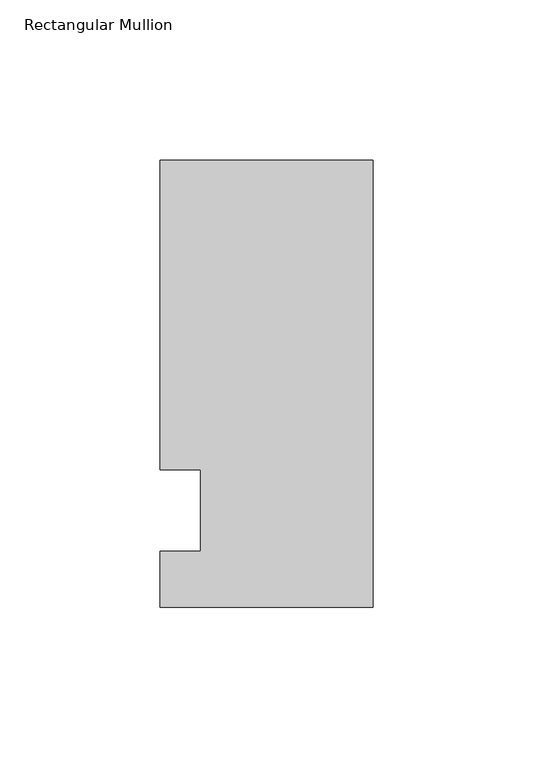
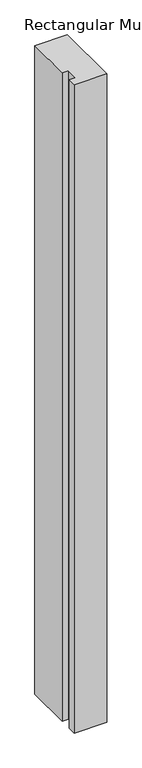
"""IFC4 building model written with IfcOpenShell, lengths in millimetres: member geometry, Rectangular Mullion."""

from ifc_helpers import new_model, si_unit, frame, origin, place, context, project, spatial, polyline, outline, extrude, source, transform, mapped, element, save


def rectangular_mullion_0df7b0f6(model_context):
    return source(origin(), model_context, "Body", "SweptSolid", [
        extrude(outline(polyline([(-66.675, 109.5375), (0.0, 109.5375), (0.0, -30.1625), (-66.675, -30.1625), (-66.675, -12.7), (-53.9732296, -12.7), (-53.9732296, 12.7), (-66.675, 12.7), (-66.675, 109.5375)])), frame((0.0, 0.0, -1407.482264), z_axis=(0.0, 0.0, 1.0), x_axis=(1.0, 0.0, 0.0)), (0.0, 0.0, 1.0), 1407.482264),
    ])


if __name__ == "__main__":
    model = new_model("IFC4")
    model_context = context("Model", 3, world=origin())
    ifc_project = project(units=[si_unit("LENGTHUNIT", "METRE", prefix="MILLI")], contexts=[model_context])
    site = spatial("IfcSite", under=ifc_project)
    building = spatial("IfcBuilding", under=site)
    placement = place(None, origin())
    rectangular_mullion_shape = rectangular_mullion_0df7b0f6(model_context)
    element("IfcMember", 1, ObjectType="Rectangular Mullion", at=placement, inside=building, context=model_context, shape_type="MappedRepresentation", body=[
        mapped(rectangular_mullion_shape, transform((0.0, 0.0, 0.0), x_axis=(1.0, 0.0, 0.0), y_axis=(0.0, 1.0, 0.0), z_axis=(0.0, 0.0, 1.0))),
    ])
    save(model, "model.ifc")
